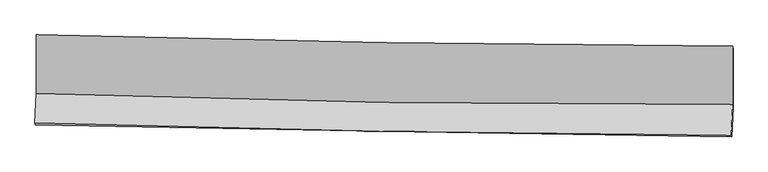
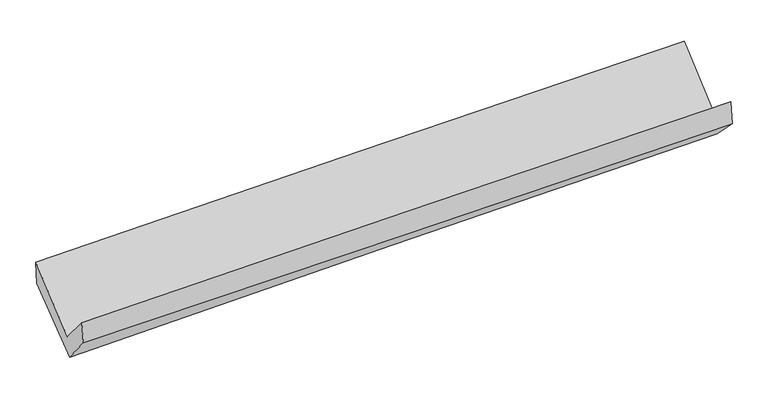
"""IFC4 building model written with IfcOpenShell, lengths in millimetres: proxy geometry."""

import ifcopenshell
import ifcopenshell.guid

model = None  # the IFC model being written
_history = None  # IfcOwnerHistory: only IFC2X3 demands one
_inside = {}  # id of a spatial element -> (the spatial element, [elements in it])
_under = {}  # id of a project, library or spatial element -> (it, [spatial elements below it])
_declared = {}  # id of a project -> (the project, [libraries it declares])
_typed = {}  # id of a type object -> (the type object, [elements of that type])
_made_of = {}  # id of a material, layer set ... -> (it, [elements and type objects made of it])


def new_model(schema):
    """Start an empty IFC model of exactly this schema.

    Asked for "IFC4X3", IfcOpenShell would pick the latest addendum, in which some entities
    have other attributes; the version numbers below select the first issue.
    IFC2X3 requires an IfcOwnerHistory on every rooted entity: one is made here for all.
    """
    global model, _history
    if schema == "IFC4X3":
        model = ifcopenshell.file(schema_version=(4, 3, 0, 0))
    else:
        model = ifcopenshell.file(schema=schema)
    _inside.clear()
    _under.clear()
    _declared.clear()
    _typed.clear()
    _made_of.clear()
    _history = None
    if model.schema == "IFC2X3":
        org = make("IfcOrganization", Name="unknown")
        user = make(
            "IfcPersonAndOrganization",
            ThePerson=make("IfcPerson", FamilyName="unknown"),
            TheOrganization=org,
        )
        app = make(
            "IfcApplication",
            ApplicationDeveloper=org,
            Version="unknown",
            ApplicationFullName="unknown",
            ApplicationIdentifier="unknown",
        )
        _history = make(
            "IfcOwnerHistory",
            OwningUser=user,
            OwningApplication=app,
            ChangeAction="ADDED",
            CreationDate=0,
        )
    return model


def make(cls, **values):
    """One entity of the class cls with the attributes given. An attribute that is None is left unset."""
    return model.create_entity(
        cls, **{name: value for name, value in values.items() if value is not None}
    )


def rooted(cls, **values):
    """An entity with a GlobalId (a new one), such as an element, a storey or a relation."""
    return make(cls, GlobalId=ifcopenshell.guid.new(), OwnerHistory=_history, **values)


def si_unit(unit_type, name, prefix=None):
    """IfcSIUnit, for example si_unit("LENGTHUNIT", "METRE", prefix="MILLI")."""
    return make("IfcSIUnit", UnitType=unit_type, Prefix=prefix, Name=name)


def assignment(units):
    """IfcUnitAssignment: the units of a project."""
    return None if units is None else make("IfcUnitAssignment", Units=units)


def point(xyz):
    """IfcCartesianPoint."""
    return None if xyz is None else make("IfcCartesianPoint", Coordinates=xyz)


def direction(xyz):
    """IfcDirection."""
    return None if xyz is None else make("IfcDirection", DirectionRatios=xyz)


def frame(location, z_axis=None, x_axis=None):
    """IfcAxis2Placement3D, a coordinate frame: its origin and axes. An axis left out is left unset."""
    return make(
        "IfcAxis2Placement3D",
        Location=point(location),
        Axis=direction(z_axis),
        RefDirection=direction(x_axis),
    )


def origin():
    """The frame at (0, 0, 0) with its axes left unset."""
    return frame((0.0, 0.0, 0.0))


def place(relative_to, where):
    """IfcLocalPlacement: puts the frame where relative to a parent placement (None: the world)."""
    return make(
        "IfcLocalPlacement", PlacementRelTo=relative_to, RelativePlacement=where
    )


def context(
    kind, dimensions, precision=None, world=None, true_north=None, identifier=None
):
    """IfcGeometricRepresentationContext, for example the 3D "Model" context."""
    return make(
        "IfcGeometricRepresentationContext",
        ContextIdentifier=identifier,
        ContextType=kind,
        CoordinateSpaceDimension=dimensions,
        Precision=precision,
        WorldCoordinateSystem=world,
        TrueNorth=true_north,
    )


def project(units=None, contexts=None):
    """IfcProject with its units and contexts."""
    return rooted(
        "IfcProject",
        Name="project",
        RepresentationContexts=contexts,
        UnitsInContext=assignment(units),
    )


def spatial(cls, under=None, at=None, **own):
    """A site, building, storey or space (cls), placed at a placement, below another one or the project."""
    s = rooted(cls, ObjectPlacement=at, **own)
    if under is not None:
        _under.setdefault(under.id(), (under, []))[1].append(s)
    return s


def shape(context_of_items, identifier, shape_type, items):
    """IfcShapeRepresentation: the items that make up one representation, for example the "Body"."""
    return make(
        "IfcShapeRepresentation",
        ContextOfItems=context_of_items,
        RepresentationIdentifier=identifier,
        RepresentationType=shape_type,
        Items=items,
    )


def source(mapping_origin, context_of_items, identifier, shape_type, items):
    """IfcRepresentationMap: a shape defined once, which mapped items show again and again."""
    return make(
        "IfcRepresentationMap",
        MappingOrigin=mapping_origin,
        MappedRepresentation=shape(context_of_items, identifier, shape_type, items),
    )


def transform(
    local_origin,
    x_axis=None,
    y_axis=None,
    z_axis=None,
    scale=None,
    scale2=None,
    scale3=None,
    uniform=True,
):
    """IfcCartesianTransformationOperator3D, or its non-uniform kind. x_axis, y_axis, z_axis: its Axis1, 2, 3."""
    if uniform:
        return make(
            "IfcCartesianTransformationOperator3D",
            Axis1=direction(x_axis),
            Axis2=direction(y_axis),
            LocalOrigin=point(local_origin),
            Scale=scale,
            Axis3=direction(z_axis),
        )
    return make(
        "IfcCartesianTransformationOperator3DnonUniform",
        Axis1=direction(x_axis),
        Axis2=direction(y_axis),
        LocalOrigin=point(local_origin),
        Scale=scale,
        Axis3=direction(z_axis),
        Scale2=scale2,
        Scale3=scale3,
    )


def mapped(mapping_source, mapping_target):
    """IfcMappedItem: shows the shape of a source again, moved by a transform."""
    return make(
        "IfcMappedItem", MappingSource=mapping_source, MappingTarget=mapping_target
    )


def made_of(thing, what):
    """Note that an element or type object is made of a material, layer set ...; save() writes the relation."""
    if what is not None:
        _made_of.setdefault(what.id(), (what, []))[1].append(thing)
    return thing


def element(
    cls,
    number,
    at=None,
    inside=None,
    cuts=None,
    type_object=None,
    material=None,
    context=None,
    identifier="Body",
    shape_type=None,
    held_by="IfcProductDefinitionShape",
    body=None,
    shapes=None,
    **own,
):
    """One element of the class cls, such as IfcWall. Its Tag is "e" and its number.

    at: its placement. inside: the storey or other place that contains it. cuts: it is an
    opening in that element (IfcRelVoidsElement). A single representation is given by context,
    identifier, shape_type and body (its items); several are given by shapes. held_by: the class
    of the entity that holds the representations. save() writes the other relations.
    """
    e = rooted(cls, Tag="e%d" % number, ObjectPlacement=at, **own)
    if body is not None:
        shapes = [shape(context, identifier, shape_type, body)]
    if shapes is not None:
        e.Representation = make(held_by, Representations=shapes)
    if inside is not None:
        _inside.setdefault(inside.id(), (inside, []))[1].append(e)
    if cuts is not None:
        rooted(
            "IfcRelVoidsElement", RelatingBuildingElement=cuts, RelatedOpeningElement=e
        )
    if type_object is not None:
        _typed.setdefault(type_object.id(), (type_object, []))[1].append(e)
    return made_of(e, material)


def aggregate(whole, parts):
    """IfcRelAggregates: a whole, such as a stair, and the parts it consists of."""
    return rooted("IfcRelAggregates", RelatingObject=whole, RelatedObjects=parts)


def save(model, path):
    """Write the relations noted so far, then the file.

    IfcRelAggregates (storeys below a building ...), IfcRelContainedInSpatialStructure (elements
    in a storey), IfcRelDefinesByType, IfcRelAssociatesMaterial and IfcRelDeclares: one each for
    every whole, place, type object, material and project.
    """
    for whole, parts in _under.values():
        aggregate(whole, parts)
    for where, things in _inside.values():
        rooted(
            "IfcRelContainedInSpatialStructure",
            RelatedElements=things,
            RelatingStructure=where,
        )
    for kind, things in _typed.values():
        rooted("IfcRelDefinesByType", RelatedObjects=things, RelatingType=kind)
    for what, things in _made_of.values():
        rooted("IfcRelAssociatesMaterial", RelatedObjects=things, RelatingMaterial=what)
    for by, libraries in _declared.values():
        rooted("IfcRelDeclares", RelatingContext=by, RelatedDefinitions=libraries)
    model.write(path)


def plane_surface(at):
    """IfcPlane: the flat surface through the origin of the frame at, square to its z axis."""
    return make("IfcPlane", Position=at)


def spline_curve(degree, points, multiplicities, knots, weights=None):
    """IfcBSplineCurveWithKnots; with weights, IfcRationalBSplineCurveWithKnots."""
    own = dict(
        Degree=degree,
        ControlPointsList=[point(p) for p in points],
        CurveForm="UNSPECIFIED",
        ClosedCurve=False,
        SelfIntersect=False,
        KnotMultiplicities=multiplicities,
        Knots=knots,
        KnotSpec="UNSPECIFIED",
    )
    if weights is None:
        return make("IfcBSplineCurveWithKnots", **own)
    return make("IfcRationalBSplineCurveWithKnots", WeightsData=weights, **own)


def spline_surface(u_degree, v_degree, points, u_multiplicities, v_multiplicities, u_knots, v_knots, weights=None):
    """IfcBSplineSurfaceWithKnots; with weights, IfcRationalBSplineSurfaceWithKnots. points: one row for each step in u."""
    own = dict(
        UDegree=u_degree,
        VDegree=v_degree,
        ControlPointsList=[[point(p) for p in row] for row in points],
        SurfaceForm="UNSPECIFIED",
        UClosed=False,
        VClosed=False,
        SelfIntersect=False,
        UMultiplicities=u_multiplicities,
        VMultiplicities=v_multiplicities,
        UKnots=u_knots,
        VKnots=v_knots,
        KnotSpec="UNSPECIFIED",
    )
    if weights is None:
        return make("IfcBSplineSurfaceWithKnots", **own)
    return make("IfcRationalBSplineSurfaceWithKnots", WeightsData=weights, **own)


def advanced_brep(points, edges, surfaces, faces):
    """IfcAdvancedBrep: a solid bounded by faces that lie on surfaces and meet in shared edges.

    An edge is (start, end): straight between two places in points (the first is 0);
    or (start, end, curve); or (start, end, curve, False) where it runs against its curve.
    A face is (place in surfaces, loops), or (place, loops, False) where it looks against
    its surface's normal. A loop lists edges by number (the first is 1), with a minus sign
    where the edge is run from its end to its start. The first loop is the outer one.
    """
    corners = [point(p) for p in points]
    vertices = [make("IfcVertexPoint", VertexGeometry=c) for c in corners]
    made = []
    for start, end, *more in edges:
        made.append(
            make(
                "IfcEdgeCurve",
                EdgeStart=vertices[start],
                EdgeEnd=vertices[end],
                EdgeGeometry=more[0] if more else make("IfcPolyline", Points=[corners[start], corners[end]]),
                SameSense=more[1] if len(more) > 1 else True,
            )
        )
    hull = []
    for where, loops, *sense in faces:
        bounds = []
        for j, loop in enumerate(loops):
            ring = [make("IfcOrientedEdge", EdgeElement=made[abs(k) - 1], Orientation=k > 0) for k in loop]
            bounds.append(
                make(
                    "IfcFaceOuterBound" if j == 0 else "IfcFaceBound",
                    Bound=make("IfcEdgeLoop", EdgeList=ring),
                    Orientation=True,
                )
            )
        hull.append(make("IfcAdvancedFace", Bounds=bounds, FaceSurface=surfaces[where], SameSense=sense[0] if sense else True))
    return make("IfcAdvancedBrep", Outer=make("IfcClosedShell", CfsFaces=hull))


def generic_models_9ffca39f(model_context):
    return source(origin(), model_context, "Body", "AdvancedBrep", [
        advanced_brep(
        [(-3025.0840096, -1161.7557335, 2175.9294244), (-3023.9398402, -1671.4827566, 1746.0232971), (3014.0128179, -1767.3425814, 1871.2895293), (3012.3963264, -1260.3741142, 2320.0633826), (-3034.880786, -1926.313009, 2041.0290632), (3002.2995368, -2033.9027671, 2191.7766215), (-3030.9455546, -1944.049359, 1853.5345982), (3006.8787307, -2048.0284119, 1978.4461332), (-3020.1195777, -1700.0445423, 1555.5670733), (3017.0429248, -1792.8246658, 1718.1220554), (-3020.5051937, -1168.661814, 1967.98692), (3016.6956418, -1288.9886336, 2108.3497628)],
        [
            (0, 1),
            (1, 2, spline_curve(3, [(-3023.9398402, -1671.4827566, 1746.0232971), (-2018.313581638, -1706.640648661, 1783.412846592), (-1012.335633479, -1732.207906609, 1812.546482907), (1000.315258722, -1764.16102187, 1854.301756135), (2006.988196068, -1770.547038517, 1866.923530253), (3014.0128179, -1767.3425814, 1871.2895293)], [4, 2, 4], [0.0, 9.908812340170726, 19.817542117962713])),
            (2, 3),
            (3, 0, spline_curve(3, [(3012.3963264, -1260.3741142, 2320.0633826), (2005.66726249, -1255.409378835, 2308.684305989), (999.181464297, -1244.708871173, 2290.983680748), (-1013.311984798, -1211.836173075, 2242.939133492), (-2019.319632103, -1189.663887272, 2212.595105754), (-3025.0840096, -1161.7557335, 2175.9294244)], [4, 2, 4], [0.0, 9.908729777791986, 19.817542117962713])),
            (1, 4),
            (4, 5, spline_curve(3, [(-3034.880786, -1926.313009, 2041.0290632), (-2029.265930204, -1958.889075121, 2080.844496427), (-1023.358045022, -1984.142928163, 2113.314531258), (989.035400937, -2020.006059026, 2163.563594798), (1995.520956473, -2030.615458459, 2181.342746241), (3002.2995368, -2033.9027671, 2191.7766215)], [4, 2, 4], [0.0, 9.908925869410456, 19.817769175496224])),
            (5, 2),
            (4, 6),
            (6, 7, spline_curve(3, [(-3030.9455546, -1944.049359, 1853.5345982), (-2024.678637455, -1964.124704424, 1873.769315865), (-1018.39105868, -1982.827328825, 1894.296014022), (994.217036901, -2017.486989978, 1935.933196912), (2000.537553269, -2033.444050176, 1957.043677465), (3006.8787307, -2048.0284119, 1978.4461332)], [4, 2, 4], [0.0, 9.90833345539679, 19.81658435240501])),
            (7, 5),
            (6, 8),
            (8, 9, spline_curve(3, [(-3020.1195777, -1700.0445423, 1555.5670733), (-2014.045145889, -1715.424421559, 1587.820690949), (-1007.908958466, -1730.846070632, 1617.493794181), (1004.478543206, -1761.772778923, 1671.678745078), (2010.729856959, -1777.277837795, 1696.190636214), (3017.0429248, -1792.8246658, 1718.1220554)], [4, 2, 4], [0.0, 9.908196590569032, 19.816310623889883])),
            (9, 7),
            (8, 10),
            (10, 11, spline_curve(3, [(-3020.5051937, -1168.661814, 1967.98692), (-2014.415497255, -1192.154161858, 1993.528893776), (-1008.268483361, -1213.927605271, 2017.996828636), (1004.131796247, -1254.036516431, 2064.784425041), (2010.385060583, -1272.37201292, 2087.104104439), (3016.6956418, -1288.9886336, 2108.3497628)], [4, 2, 4], [0.0, 9.908235817782836, 19.816389077990642])),
            (11, 9),
            (10, 0),
            (3, 11),
        ],
        [
            spline_surface(3, 3, [[(-3025.0840096, -1161.7557335, 2175.9294244), (-2019.319632101, -1189.6638874, 2212.595105864), (-1013.311984954, -1211.836173139, 2242.93913342), (999.181464453, -1244.70887111, 2290.983680821), (2005.667262599, -1255.40937896, 2308.684305971), (3012.3963264, -1260.3741142, 2320.0633826)], [(-3024.702619804, -1331.664741192, 2032.627381975), (-2018.984281987, -1361.989474459, 2069.534352744), (-1012.986534418, -1385.293417657, 2099.474916579), (999.559395826, -1417.859588013, 2145.423039227), (2006.107573783, -1427.121932199, 2161.430714088), (3012.935156897, -1429.363603282, 2170.472098149)], [(-3024.321229996, -1501.573748908, 1889.325339525), (-2018.648931862, -1534.315061542, 1926.473599597), (-1012.661083873, -1558.750662159, 1956.010699791), (999.937327206, -1591.010304899, 1999.862397686), (2006.547884975, -1598.834485393, 2014.177122259), (3013.473987403, -1598.353092318, 2020.880813751)], [(-3023.9398402, -1671.4827566, 1746.0232971), (-2018.313581748, -1706.640648601, 1783.412846477), (-1012.335633336, -1732.207906678, 1812.54648295), (1000.315258579, -1764.161021802, 1854.301756092), (2006.988196159, -1770.547038633, 1866.923530376), (3014.0128179, -1767.3425814, 1871.2895293)]], [4, 4], [4, 2, 4], [0.0, 2.220971350321308], [0.0, 9.908812340170726, 19.817542117962713]),
            spline_surface(3, 3, [[(-3023.9398402, -1671.4827566, 1746.0232971), (-2018.313581748, -1706.640648601, 1783.412846477), (-1012.335633336, -1732.207906678, 1812.54648295), (1000.315258579, -1764.161021802, 1854.301756092), (2006.988196159, -1770.547038633, 1866.923530376), (3014.0128179, -1767.3425814, 1871.2895293)], [(-3027.586822118, -1756.426174076, 1844.358552478), (-2021.964364563, -1790.723457467, 1882.556729777), (-1016.009770531, -1816.186247227, 1912.80249904), (996.555306016, -1849.442700869, 1957.389035699), (2003.165782935, -1857.236511935, 1971.729935654), (3010.108390858, -1856.195976627, 1978.118560059)], [(-3031.233804082, -1841.369591524, 1942.693807822), (-2025.615147425, -1874.806266307, 1981.700613042), (-1019.683907754, -1900.164587707, 2013.058515091), (992.795353427, -1934.724379866, 2060.476315268), (1999.343369737, -1943.925985255, 2076.536340856), (3006.203963842, -1945.049371873, 2084.947590741)], [(-3034.880786, -1926.313009, 2041.0290632), (-2029.26593024, -1958.889075174, 2080.844496342), (-1023.358044949, -1984.142928256, 2113.31453118), (989.035400864, -2020.006058934, 2163.563594876), (1995.520956513, -2030.615458556, 2181.342746134), (3002.2995368, -2033.9027671, 2191.7766215)]], [4, 4], [4, 2, 4], [0.0, 1.3025330257576155], [0.0, 9.908925869410456, 19.817769175496224]),
            spline_surface(3, 3, [[(-3034.880786, -1926.313009, 2041.0290632), (-2029.26593024, -1958.889075174, 2080.844496342), (-1023.358044949, -1984.142928256, 2113.31453118), (989.035400864, -2020.006058934, 2163.563594876), (1995.520956513, -2030.615458556, 2181.342746134), (3002.2995368, -2033.9027671, 2191.7766215)], [(-3033.569042203, -1932.225125647, 1978.530908194), (-2027.736832594, -1960.634284927, 2011.819436169), (-1021.702382834, -1983.704395041, 2040.308358725), (990.76261286, -2019.166369306, 2087.686795588), (1997.193155433, -2031.558322436, 2106.576389872), (3003.825934778, -2038.611315365, 2120.666458725)], [(-3032.257298397, -1938.137242353, 1916.032753206), (-2026.20773494, -1962.379494738, 1942.794376013), (-1020.046720732, -1983.265861897, 1967.302186323), (992.489824842, -2018.326679749, 2011.809996354), (1998.865354319, -2032.501186321, 2031.810033635), (3005.352332722, -2043.319863635, 2049.556295975)], [(-3030.9455546, -1944.049359, 1853.5345982), (-2024.678637294, -1964.124704492, 1873.769315839), (-1018.391058617, -1982.827328682, 1894.296013868), (994.217036838, -2017.486990122, 1935.933197066), (2000.53755324, -2033.444050201, 1957.043677373), (3006.8787307, -2048.0284119, 1978.4461332)]], [4, 4], [4, 2, 4], [0.0, 0.7329077789210807], [0.0, 9.90833345539679, 19.81658435240501]),
            spline_surface(3, 3, [[(-3030.9455546, -1944.049359, 1853.5345982), (-2024.678637294, -1964.124704492, 1873.769315839), (-1018.391058617, -1982.827328682, 1894.296013868), (994.217036838, -2017.486990122, 1935.933197066), (2000.53755324, -2033.444050201, 1957.043677373), (3006.8787307, -2048.0284119, 1978.4461332)], [(-3027.33689564, -1862.714420125, 1754.212089882), (-2021.134140159, -1881.224610185, 1778.453107572), (-1014.897025271, -1898.833575954, 1802.028607304), (997.637538987, -1932.248919756, 1847.848379786), (2003.934987751, -1948.055312762, 1870.092663631), (3010.266795383, -1962.960496543, 1891.671440603)], [(-3023.72823666, -1781.379481175, 1654.889581618), (-2017.589643004, -1798.324515802, 1683.13689936), (-1011.402991907, -1814.839823242, 1709.761200668), (1001.058041153, -1847.010849407, 1759.763562434), (2007.332422315, -1862.666575297, 1783.141649879), (3013.654860117, -1877.892581157, 1804.896747997)], [(-3020.1195777, -1700.0445423, 1555.5670733), (-2014.04514587, -1715.424421495, 1587.820691093), (-1007.908958561, -1730.846070513, 1617.493794104), (1004.478543301, -1761.772779042, 1671.678745155), (2010.729856826, -1777.277837858, 1696.190636137), (3017.0429248, -1792.8246658, 1718.1220554)]], [4, 4], [4, 2, 4], [0.0, 1.2175932278440507], [0.0, 9.908196590569032, 19.816310623889883]),
            spline_surface(3, 3, [[(-3020.1195777, -1700.0445423, 1555.5670733), (-2014.04514587, -1715.424421495, 1587.820691093), (-1007.908958561, -1730.846070513, 1617.493794104), (1004.478543301, -1761.772779042, 1671.678745155), (2010.729856826, -1777.277837858, 1696.190636137), (3017.0429248, -1792.8246658, 1718.1220554)], [(-3020.248116375, -1522.916966198, 1693.04035556), (-2014.168596345, -1541.001001593, 1723.056758716), (-1008.028800134, -1558.539915456, 1750.994805615), (1004.362960927, -1592.52735821, 1802.713971764), (2010.614924771, -1608.975896188, 1826.495125588), (3016.927163794, -1624.879321716, 1848.197957851)], [(-3020.376655025, -1345.789390102, 1830.51363774), (-2014.292046796, -1366.577581697, 1858.292826259), (-1008.148641713, -1386.233760305, 1884.495817154), (1004.247378546, -1423.281937286, 1933.749198402), (2010.499992736, -1440.67395457, 1956.799615088), (3016.811402806, -1456.933977684, 1978.273860349)], [(-3020.5051937, -1168.661814, 1967.98692), (-2014.415497272, -1192.154161795, 1993.528893882), (-1008.268483285, -1213.927605247, 2017.996828665), (1004.131796172, -1254.036516454, 2064.784425012), (2010.385060681, -1272.3720129, 2087.10410454), (3016.6956418, -1288.9886336, 2108.3497628)]], [4, 4], [4, 2, 4], [0.0, 2.1260582062080933], [0.0, 9.908235817782836, 19.816389077990642]),
            spline_surface(3, 3, [[(-3020.5051937, -1168.661814, 1967.98692), (-2014.415497272, -1192.154161795, 1993.528893882), (-1008.268483285, -1213.927605247, 2017.996828665), (1004.131796172, -1254.036516454, 2064.784425012), (2010.385060681, -1272.3720129, 2087.10410454), (3016.6956418, -1288.9886336, 2108.3497628)], [(-3022.031465661, -1166.359787162, 2037.30108811), (-2016.050208876, -1191.324070326, 2066.55096452), (-1009.949650516, -1213.23046118, 2092.977596925), (1002.481685592, -1250.927301308, 2140.184176956), (2008.812461344, -1266.717801587, 2160.964171697), (3015.262536691, -1279.450460467, 2178.920969414)], [(-3023.557737639, -1164.057760338, 2106.61525629), (-2017.684920497, -1190.49397887, 2139.573035227), (-1011.630817724, -1212.533317206, 2167.958365161), (1000.831575033, -1247.818086256, 2215.583928877), (2007.239861936, -1261.063590273, 2234.824238813), (3013.829431509, -1269.912287333, 2249.492175986)], [(-3025.0840096, -1161.7557335, 2175.9294244), (-2019.319632101, -1189.6638874, 2212.595105864), (-1013.311984954, -1211.836173139, 2242.93913342), (999.181464453, -1244.70887111, 2290.983680821), (2005.667262599, -1255.40937896, 2308.684305971), (3012.3963264, -1260.3741142, 2320.0633826)]], [4, 4], [4, 2, 4], [0.0, 0.7404801294184286], [0.0, 9.908325645613365, 19.816568732903235]),
            plane_surface(frame((3011.5543297, -1698.5768623, 2031.3412475), z_axis=(0.9996042891170073, -0.01679063960587114, 0.02256855335435459), x_axis=(-0.000544943903488139, 0.7906012064984888, 0.6123311484150353))),
            plane_surface(frame((-3025.9124936, -1595.3845357, 1890.0117294), z_axis=(-0.9996042891169906, 0.016790639606258952, -0.02256855335479906), x_axis=(0.022002163266216183, -0.033185154178247835, -0.9992070107609197))),
        ],
        [
            (0, [[1, 2, 3, 4]]),
            (1, [[5, 6, 7, -2]]),
            (2, [[8, 9, 10, -6]]),
            (3, [[11, 12, 13, -9]]),
            (4, [[14, 15, 16, -12]]),
            (5, [[17, -4, 18, -15]]),
            (6, [[-16, -18, -3, -7, -10, -13]]),
            (7, [[-17, -14, -11, -8, -5, -1]]),
        ],
    ),
    ])


if __name__ == "__main__":
    model = new_model("IFC4")
    model_context = context("Model", 3, world=origin())
    ifc_project = project(units=[si_unit("LENGTHUNIT", "METRE", prefix="MILLI")], contexts=[model_context])
    site = spatial("IfcSite", under=ifc_project)
    building = spatial("IfcBuilding", under=site)
    placement = place(None, origin())
    generic_models_shape = generic_models_9ffca39f(model_context)
    element("IfcBuildingElementProxy", 1, Name="Generic Models", at=placement, inside=building, context=model_context, shape_type="MappedRepresentation", body=[
        mapped(generic_models_shape, transform((0.0, 0.0, 0.0), x_axis=(1.0, 0.0, 0.0), y_axis=(0.0, 1.0, 0.0), z_axis=(0.0, 0.0, 1.0))),
    ])
    save(model, "model.ifc")
